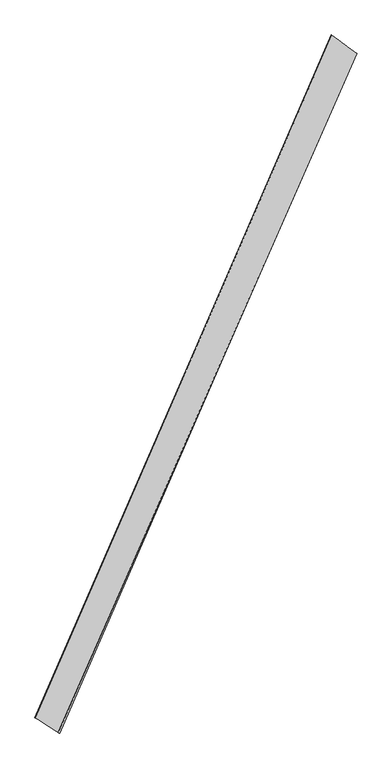
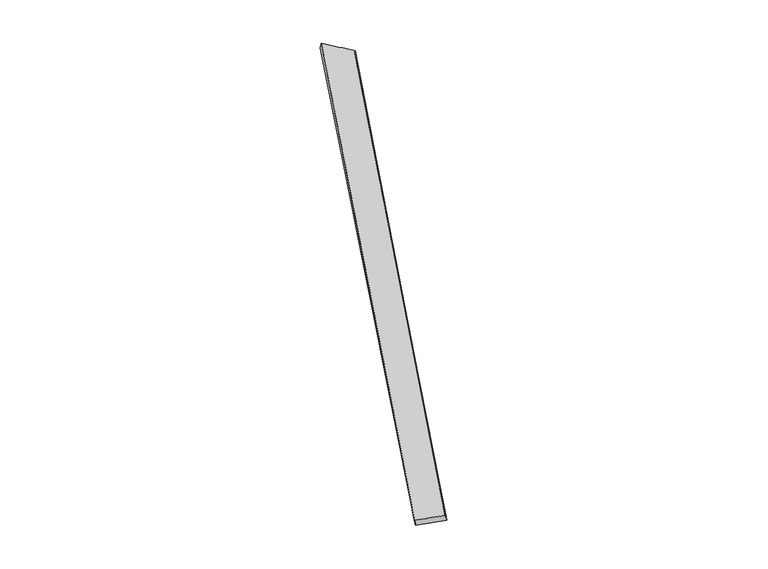
"""IFC4 building model written with IfcOpenShell, lengths in millimetres: proxy geometry."""

from ifc_helpers import new_model, si_unit, origin, place, context, project, spatial, source, transform, mapped, element, save
from ifc_brep_helpers import spline_surface, advanced_brep


def generic_models_48c69d7c(model_context):
    return source(origin(), model_context, "Body", "AdvancedBrep", [
        advanced_brep(
        [(-686.7395463, -1739.7401839, 17.4789601), (-679.42172, -1743.2144006, -11.4066633), (965.2096673, 2029.7899102, -45.4637778), (970.1162091, 2027.8940963, -15.9285152), (-811.038094, -1658.8529334, -46.9599825), (827.2718634, 2131.3873504, -13.5161252), (-816.0121609, -1656.946653, -17.4366907), (832.635498, 2128.7927405, 15.8862458)],
        [
            (0, 1),
            (1, 2),
            (2, 3),
            (3, 0),
            (1, 4),
            (4, 5),
            (5, 2),
            (4, 6),
            (6, 7),
            (7, 5),
            (6, 0),
            (3, 7),
        ],
        [
            spline_surface(1, 1, [[(-686.7395463, -1739.7401839, 17.4789601), (970.1162091, 2027.8940963, -15.9285152)], [(-679.42172, -1743.2144006, -11.4066633), (965.2096673, 2029.7899102, -45.4637778)]], [2, 2], [2, 2], [0.0, 1.0], [0.0, 1.0]),
            spline_surface(1, 1, [[(-679.42172, -1743.2144006, -11.4066633), (965.2096673, 2029.7899102, -45.4637778)], [(-811.038094, -1658.8529334, -46.9599825), (827.2718634, 2131.3873504, -13.5161252)]], [2, 2], [2, 2], [0.0, 1.0], [0.0, 1.0]),
            spline_surface(1, 1, [[(-811.038094, -1658.8529334, -46.9599825), (827.2718634, 2131.3873504, -13.5161252)], [(-816.0121609, -1656.946653, -17.4366907), (832.635498, 2128.7927405, 15.8862458)]], [2, 2], [2, 2], [0.0, 1.0], [0.0, 1.0]),
            spline_surface(1, 1, [[(-816.0121609, -1656.946653, -17.4366907), (832.635498, 2128.7927405, 15.8862458)], [(-686.7395463, -1739.7401839, 17.4789601), (970.1162091, 2027.8940963, -15.9285152)]], [2, 2], [2, 2], [0.0, 1.0], [0.0, 1.0]),
            spline_surface(1, 1, [[(965.2096673, 2029.7899102, -45.4637778), (970.1162091, 2027.8940963, -15.9285152)], [(827.2718634, 2131.3873504, -13.5161252), (832.635498, 2128.7927405, 15.8862458)]], [2, 2], [2, 2], [0.0, 1.0], [0.0, 1.0]),
            spline_surface(1, 1, [[(-816.0121609, -1656.946653, -17.4366907), (-686.7395463, -1739.7401839, 17.4789601)], [(-811.038094, -1658.8529334, -46.9599825), (-679.42172, -1743.2144006, -11.4066633)]], [2, 2], [2, 2], [0.0, 1.0], [0.0, 1.0]),
        ],
        [
            (0, [[1, 2, 3, 4]]),
            (1, [[5, 6, 7, -2]]),
            (2, [[8, 9, 10, -6]]),
            (3, [[11, -4, 12, -9]]),
            (4, [[-3, -7, -10, -12]]),
            (5, [[-11, -8, -5, -1]]),
        ],
    ),
    ])


if __name__ == "__main__":
    model = new_model("IFC4")
    model_context = context("Model", 3, world=origin())
    ifc_project = project(units=[si_unit("LENGTHUNIT", "METRE", prefix="MILLI")], contexts=[model_context])
    site = spatial("IfcSite", under=ifc_project)
    building = spatial("IfcBuilding", under=site)
    placement = place(None, origin())
    generic_models_shape = generic_models_48c69d7c(model_context)
    element("IfcBuildingElementProxy", 1, Name="Generic Models", at=placement, inside=building, context=model_context, shape_type="MappedRepresentation", body=[
        mapped(generic_models_shape, transform((0.0, 0.0, 0.0), x_axis=(1.0, 0.0, 0.0), y_axis=(0.0, 1.0, 0.0), z_axis=(0.0, 0.0, 1.0))),
    ])
    save(model, "model.ifc")
